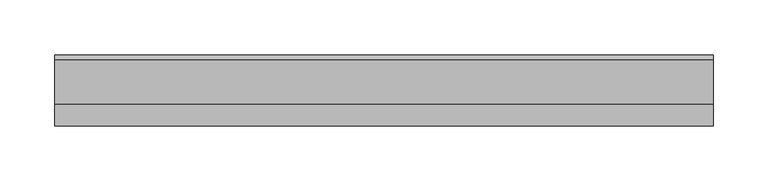
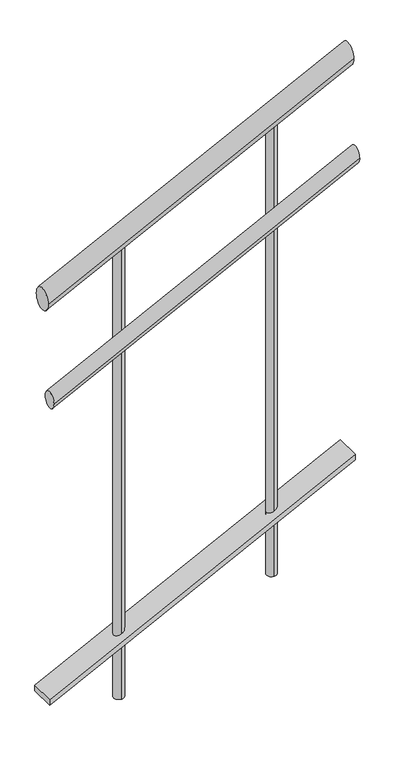
"""IFC4 building model written with IfcOpenShell, lengths in millimetres: railing geometry."""

from ifc_helpers import new_model, si_unit, frame, origin, place, context, project, spatial, circle_curve, ellipse_curve, faceted_brep, source, transform, mapped, element, save
from ifc_brep_helpers import plane_surface, cylinder_surface, advanced_brep


def railing_2dc47aa2(model_context):
    return source(origin(), model_context, "Body", "SolidModel", [
        advanced_brep(
        [(-1876.5757135, -6644.6478389, 527.6393202), (-1876.5757135, -6684.6478389, 527.6393202), (-1276.5757135, -6644.6478389, 827.6393202), (-1276.5757135, -6684.6478389, 827.6393202)],
        [
            (0, 1, ellipse_curve(frame((-1876.5757135, -6664.6478389, 527.6393202), z_axis=(-1.0, 0.0, 0.0), x_axis=(0.0, 0.0, -1.0)), 22.3606798, 20.0)),
            (1, 0, ellipse_curve(frame((-1876.5757135, -6664.6478389, 527.6393202), z_axis=(-1.0, 0.0, 0.0), x_axis=(0.0, 0.0, -1.0)), 22.3606798, 20.0)),
            (2, 3, ellipse_curve(frame((-1276.5757135, -6664.6478389, 827.6393202), z_axis=(1.0, 0.0, 0.0), x_axis=(0.0, 0.0, -1.0)), 22.3606798, 20.0)),
            (3, 2, ellipse_curve(frame((-1276.5757135, -6664.6478389, 827.6393202), z_axis=(1.0, 0.0, 0.0), x_axis=(0.0, 0.0, -1.0)), 22.3606798, 20.0)),
            (0, 2),
            (3, 1),
        ],
        [
            plane_surface(frame((-1876.5757135, -6664.6478389, 550.0), z_axis=(-1.0, 0.0, 0.0), x_axis=(0.0, 1.0, 0.0))),
            plane_surface(frame((-1276.5757135, -6664.6478389, 850.0), z_axis=(1.0, 0.0, 0.0), x_axis=(0.0, 1.0, 0.0))),
            cylinder_surface(frame((-1867.6314415, -6664.6478389, 532.1114562), z_axis=(-0.8944271909999153, 0.0, -0.4472135954999593), x_axis=(0.0, -1.0, 0.0)), 20.0),
        ],
        [
            (0, [[1, 2]]),
            (1, [[3, 4]]),
            (2, [[-1, 5, -4, 6]]),
            (2, [[-2, -6, -3, -5]]),
        ],
    ),
        advanced_brep(
        [(-1876.5757135, -6674.6478389, 333.2294902), (-1876.5757135, -6704.6478389, 333.2294902), (-1276.5757135, -6674.6478389, 633.2294902), (-1276.5757135, -6704.6478389, 633.2294902)],
        [
            (0, 1, ellipse_curve(frame((-1876.5757135, -6689.6478389, 333.2294902), z_axis=(-1.0, 0.0, 0.0), x_axis=(0.0, 0.0, -1.0)), 16.7705098, 15.0)),
            (1, 0, ellipse_curve(frame((-1876.5757135, -6689.6478389, 333.2294902), z_axis=(-1.0, 0.0, 0.0), x_axis=(0.0, 0.0, -1.0)), 16.7705098, 15.0)),
            (2, 3, ellipse_curve(frame((-1276.5757135, -6689.6478389, 633.2294902), z_axis=(1.0, 0.0, 0.0), x_axis=(0.0, 0.0, -1.0)), 16.7705098, 15.0)),
            (3, 2, ellipse_curve(frame((-1276.5757135, -6689.6478389, 633.2294902), z_axis=(1.0, 0.0, 0.0), x_axis=(0.0, 0.0, -1.0)), 16.7705098, 15.0)),
            (0, 2),
            (3, 1),
        ],
        [
            plane_surface(frame((-1876.5757135, -6689.6478389, 350.0), z_axis=(-1.0, 0.0, 0.0), x_axis=(0.0, 1.0, 0.0))),
            plane_surface(frame((-1276.5757135, -6689.6478389, 650.0), z_axis=(1.0, 0.0, 0.0), x_axis=(0.0, 1.0, 0.0))),
            cylinder_surface(frame((-1869.8675095, -6689.6478389, 336.5835921), z_axis=(-0.8944271909999153, 0.0, -0.4472135954999593), x_axis=(0.0, -1.0, 0.0)), 15.0),
        ],
        [
            (0, [[1, 2]]),
            (1, [[3, 4]]),
            (2, [[-1, 5, -4, 6]]),
            (2, [[-2, -6, -3, -5]]),
        ],
    ),
        faceted_brep([(-1876.5757135, -6689.6478389, -290.0), (-1876.5757135, -6639.6478389, -290.0), (-1876.5757135, -6639.6478389, -301.1803399), (-1876.5757135, -6689.6478389, -301.1803399), (-1276.5757135, -6689.6478389, 10.0), (-1276.5757135, -6689.6478389, -1.1803399), (-1276.5757135, -6639.6478389, -1.1803399), (-1276.5757135, -6639.6478389, 10.0)], [[[0, 1, 2, 3]], [[4, 5, 6, 7]], [[1, 0, 4, 7]], [[2, 1, 7, 6]], [[3, 2, 6, 5]], [[0, 3, 5, 4]]]),
        advanced_brep(
        [(-1426.5757135, -6674.6478389, 735.0), (-1426.5757135, -6674.6478389, -200.0), (-1426.5757135, -6654.6478389, -200.0), (-1426.5757135, -6654.6478389, 735.0)],
        [
            (0, 1),
            (1, 2, circle_curve(frame((-1426.5757135, -6664.6478389, -200.0), z_axis=(0.0, 0.0, 1.0), x_axis=(0.0, 1.0, 0.0)), 10.0)),
            (2, 3),
            (3, 0, ellipse_curve(frame((-1426.5757135, -6664.6478389, 735.0), z_axis=(0.4472135954999566, 0.0, -0.8944271909999165), x_axis=(0.8944271909999165, 0.0, 0.4472135954999567)), 11.1803399, 10.0)),
            (0, 3, ellipse_curve(frame((-1426.5757135, -6664.6478389, 735.0), z_axis=(0.4472135954999566, 0.0, -0.8944271909999165), x_axis=(0.8944271909999165, 0.0, 0.4472135954999567)), 11.1803399, 10.0)),
            (2, 1, circle_curve(frame((-1426.5757135, -6664.6478389, -200.0), z_axis=(0.0, 0.0, 1.0), x_axis=(0.0, 1.0, 0.0)), 10.0)),
        ],
        [
            cylinder_surface(frame((-1426.5757135, -6664.6478389, -300.0), z_axis=(0.0, 0.0, 1.0), x_axis=(0.0, 1.0, 0.0)), 10.0),
            plane_surface(frame((-1406.5757135, -6644.6478389, 745.0), z_axis=(-0.4472135954999566, 0.0, 0.8944271909999165), x_axis=(0.0, -1.0, 0.0))),
            plane_surface(frame((-1446.5757135, -6644.6478389, -200.0), z_axis=(0.0, 0.0, -1.0), x_axis=(0.0, -1.0, 0.0))),
        ],
        [
            (0, [[1, 2, 3, 4]]),
            (0, [[-1, 5, -3, 6]]),
            (1, [[-4, -5]]),
            (2, [[-2, -6]]),
        ],
    ),
        advanced_brep(
        [(-1726.5757135, -6674.6478389, 585.0), (-1726.5757135, -6674.6478389, -350.0), (-1726.5757135, -6654.6478389, -350.0), (-1726.5757135, -6654.6478389, 585.0)],
        [
            (0, 1),
            (1, 2, circle_curve(frame((-1726.5757135, -6664.6478389, -350.0), z_axis=(0.0, 0.0, 1.0), x_axis=(0.0, 1.0, 0.0)), 10.0)),
            (2, 3),
            (3, 0, ellipse_curve(frame((-1726.5757135, -6664.6478389, 585.0), z_axis=(0.4472135954999566, 0.0, -0.8944271909999165), x_axis=(0.8944271909999165, 0.0, 0.4472135954999567)), 11.1803399, 10.0)),
            (0, 3, ellipse_curve(frame((-1726.5757135, -6664.6478389, 585.0), z_axis=(0.4472135954999566, 0.0, -0.8944271909999165), x_axis=(0.8944271909999165, 0.0, 0.4472135954999567)), 11.1803399, 10.0)),
            (2, 1, circle_curve(frame((-1726.5757135, -6664.6478389, -350.0), z_axis=(0.0, 0.0, 1.0), x_axis=(0.0, 1.0, 0.0)), 10.0)),
        ],
        [
            cylinder_surface(frame((-1726.5757135, -6664.6478389, -450.0), z_axis=(0.0, 0.0, 1.0), x_axis=(0.0, 1.0, 0.0)), 10.0),
            plane_surface(frame((-1706.5757135, -6644.6478389, 595.0), z_axis=(-0.4472135954999566, 0.0, 0.8944271909999165), x_axis=(0.0, -1.0, 0.0))),
            plane_surface(frame((-1746.5757135, -6644.6478389, -350.0), z_axis=(0.0, 0.0, -1.0), x_axis=(0.0, -1.0, 0.0))),
        ],
        [
            (0, [[1, 2, 3, 4]]),
            (0, [[-1, 5, -3, 6]]),
            (1, [[-4, -5]]),
            (2, [[-2, -6]]),
        ],
    ),
    ])


if __name__ == "__main__":
    model = new_model("IFC4")
    model_context = context("Model", 3, world=origin())
    ifc_project = project(units=[si_unit("LENGTHUNIT", "METRE", prefix="MILLI")], contexts=[model_context])
    site = spatial("IfcSite", under=ifc_project)
    building = spatial("IfcBuilding", under=site)
    placement = place(None, origin())
    railing_shape = railing_2dc47aa2(model_context)
    element("IfcRailing", 1, at=placement, inside=building, context=model_context, shape_type="MappedRepresentation", body=[
        mapped(railing_shape, transform((0.0, 0.0, 0.0), x_axis=(1.0, 0.0, 0.0), y_axis=(0.0, 1.0, 0.0), z_axis=(0.0, 0.0, 1.0))),
    ])
    save(model, "model.ifc")
